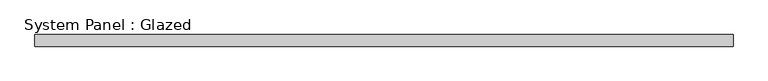
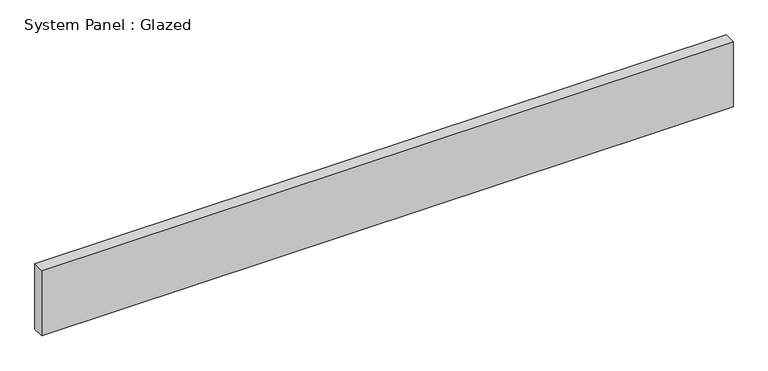
"""IFC4 building model written with IfcOpenShell, lengths in millimetres: plate geometry, System Panel : Glazed."""

from ifc_helpers import new_model, si_unit, origin, origin_with_axes, place, context, project, spatial, polyline, outline, extrude, source, transform, mapped, element, save


def system_panel_glazed_6969f1ce(model_context):
    return source(origin(), model_context, "Body", "SweptSolid", [
        extrude(outline(polyline([(750.0, 24.5), (-750.0, 24.5), (-750.0, 49.5), (750.0, 49.5), (750.0, 24.5)])), origin_with_axes(), (0.0, 0.0, 1.0), 150.0),
    ])


if __name__ == "__main__":
    model = new_model("IFC4")
    model_context = context("Model", 3, world=origin())
    ifc_project = project(units=[si_unit("LENGTHUNIT", "METRE", prefix="MILLI")], contexts=[model_context])
    site = spatial("IfcSite", under=ifc_project)
    building = spatial("IfcBuilding", under=site)
    placement = place(None, origin())
    system_panel_glazed_shape = system_panel_glazed_6969f1ce(model_context)
    element("IfcPlate", 1, ObjectType="System Panel : Glazed", at=placement, inside=building, context=model_context, shape_type="MappedRepresentation", body=[
        mapped(system_panel_glazed_shape, transform((0.0, 0.0, 0.0), x_axis=(1.0, 0.0, 0.0), y_axis=(0.0, 1.0, 0.0), z_axis=(0.0, 0.0, 1.0))),
    ])
    save(model, "model.ifc")
